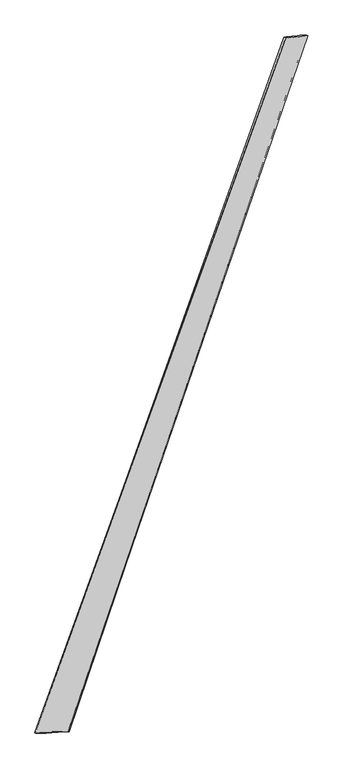
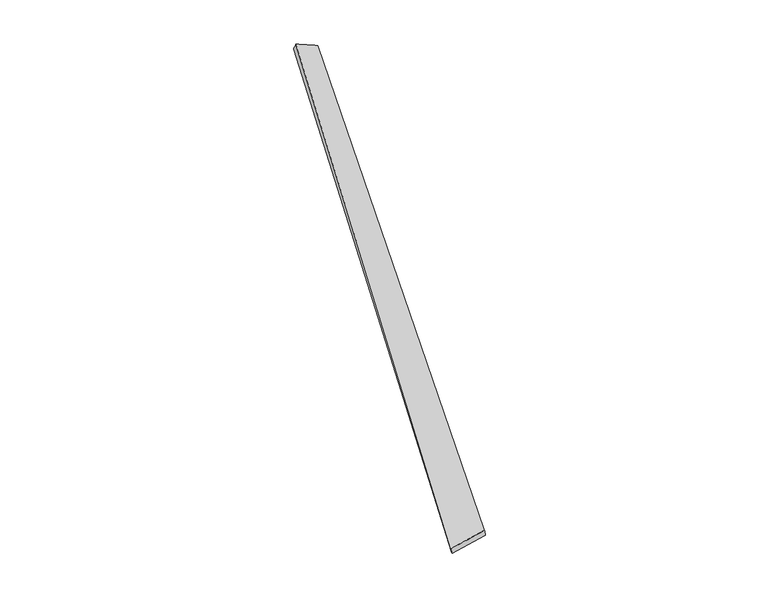
"""IFC4 building model written with IfcOpenShell, lengths in millimetres: proxy geometry."""

import ifcopenshell
import ifcopenshell.guid

model = None  # the IFC model being written
_history = None  # IfcOwnerHistory: only IFC2X3 demands one
_inside = {}  # id of a spatial element -> (the spatial element, [elements in it])
_under = {}  # id of a project, library or spatial element -> (it, [spatial elements below it])
_declared = {}  # id of a project -> (the project, [libraries it declares])
_typed = {}  # id of a type object -> (the type object, [elements of that type])
_made_of = {}  # id of a material, layer set ... -> (it, [elements and type objects made of it])


def new_model(schema):
    """Start an empty IFC model of exactly this schema.

    Asked for "IFC4X3", IfcOpenShell would pick the latest addendum, in which some entities
    have other attributes; the version numbers below select the first issue.
    IFC2X3 requires an IfcOwnerHistory on every rooted entity: one is made here for all.
    """
    global model, _history
    if schema == "IFC4X3":
        model = ifcopenshell.file(schema_version=(4, 3, 0, 0))
    else:
        model = ifcopenshell.file(schema=schema)
    _inside.clear()
    _under.clear()
    _declared.clear()
    _typed.clear()
    _made_of.clear()
    _history = None
    if model.schema == "IFC2X3":
        org = make("IfcOrganization", Name="unknown")
        user = make(
            "IfcPersonAndOrganization",
            ThePerson=make("IfcPerson", FamilyName="unknown"),
            TheOrganization=org,
        )
        app = make(
            "IfcApplication",
            ApplicationDeveloper=org,
            Version="unknown",
            ApplicationFullName="unknown",
            ApplicationIdentifier="unknown",
        )
        _history = make(
            "IfcOwnerHistory",
            OwningUser=user,
            OwningApplication=app,
            ChangeAction="ADDED",
            CreationDate=0,
        )
    return model


def make(cls, **values):
    """One entity of the class cls with the attributes given. An attribute that is None is left unset."""
    return model.create_entity(
        cls, **{name: value for name, value in values.items() if value is not None}
    )


def rooted(cls, **values):
    """An entity with a GlobalId (a new one), such as an element, a storey or a relation."""
    return make(cls, GlobalId=ifcopenshell.guid.new(), OwnerHistory=_history, **values)


def si_unit(unit_type, name, prefix=None):
    """IfcSIUnit, for example si_unit("LENGTHUNIT", "METRE", prefix="MILLI")."""
    return make("IfcSIUnit", UnitType=unit_type, Prefix=prefix, Name=name)


def assignment(units):
    """IfcUnitAssignment: the units of a project."""
    return None if units is None else make("IfcUnitAssignment", Units=units)


def point(xyz):
    """IfcCartesianPoint."""
    return None if xyz is None else make("IfcCartesianPoint", Coordinates=xyz)


def direction(xyz):
    """IfcDirection."""
    return None if xyz is None else make("IfcDirection", DirectionRatios=xyz)


def frame(location, z_axis=None, x_axis=None):
    """IfcAxis2Placement3D, a coordinate frame: its origin and axes. An axis left out is left unset."""
    return make(
        "IfcAxis2Placement3D",
        Location=point(location),
        Axis=direction(z_axis),
        RefDirection=direction(x_axis),
    )


def origin():
    """The frame at (0, 0, 0) with its axes left unset."""
    return frame((0.0, 0.0, 0.0))


def place(relative_to, where):
    """IfcLocalPlacement: puts the frame where relative to a parent placement (None: the world)."""
    return make(
        "IfcLocalPlacement", PlacementRelTo=relative_to, RelativePlacement=where
    )


def context(
    kind, dimensions, precision=None, world=None, true_north=None, identifier=None
):
    """IfcGeometricRepresentationContext, for example the 3D "Model" context."""
    return make(
        "IfcGeometricRepresentationContext",
        ContextIdentifier=identifier,
        ContextType=kind,
        CoordinateSpaceDimension=dimensions,
        Precision=precision,
        WorldCoordinateSystem=world,
        TrueNorth=true_north,
    )


def project(units=None, contexts=None):
    """IfcProject with its units and contexts."""
    return rooted(
        "IfcProject",
        Name="project",
        RepresentationContexts=contexts,
        UnitsInContext=assignment(units),
    )


def spatial(cls, under=None, at=None, **own):
    """A site, building, storey or space (cls), placed at a placement, below another one or the project."""
    s = rooted(cls, ObjectPlacement=at, **own)
    if under is not None:
        _under.setdefault(under.id(), (under, []))[1].append(s)
    return s


def shape(context_of_items, identifier, shape_type, items):
    """IfcShapeRepresentation: the items that make up one representation, for example the "Body"."""
    return make(
        "IfcShapeRepresentation",
        ContextOfItems=context_of_items,
        RepresentationIdentifier=identifier,
        RepresentationType=shape_type,
        Items=items,
    )


def source(mapping_origin, context_of_items, identifier, shape_type, items):
    """IfcRepresentationMap: a shape defined once, which mapped items show again and again."""
    return make(
        "IfcRepresentationMap",
        MappingOrigin=mapping_origin,
        MappedRepresentation=shape(context_of_items, identifier, shape_type, items),
    )


def transform(
    local_origin,
    x_axis=None,
    y_axis=None,
    z_axis=None,
    scale=None,
    scale2=None,
    scale3=None,
    uniform=True,
):
    """IfcCartesianTransformationOperator3D, or its non-uniform kind. x_axis, y_axis, z_axis: its Axis1, 2, 3."""
    if uniform:
        return make(
            "IfcCartesianTransformationOperator3D",
            Axis1=direction(x_axis),
            Axis2=direction(y_axis),
            LocalOrigin=point(local_origin),
            Scale=scale,
            Axis3=direction(z_axis),
        )
    return make(
        "IfcCartesianTransformationOperator3DnonUniform",
        Axis1=direction(x_axis),
        Axis2=direction(y_axis),
        LocalOrigin=point(local_origin),
        Scale=scale,
        Axis3=direction(z_axis),
        Scale2=scale2,
        Scale3=scale3,
    )


def mapped(mapping_source, mapping_target):
    """IfcMappedItem: shows the shape of a source again, moved by a transform."""
    return make(
        "IfcMappedItem", MappingSource=mapping_source, MappingTarget=mapping_target
    )


def made_of(thing, what):
    """Note that an element or type object is made of a material, layer set ...; save() writes the relation."""
    if what is not None:
        _made_of.setdefault(what.id(), (what, []))[1].append(thing)
    return thing


def element(
    cls,
    number,
    at=None,
    inside=None,
    cuts=None,
    type_object=None,
    material=None,
    context=None,
    identifier="Body",
    shape_type=None,
    held_by="IfcProductDefinitionShape",
    body=None,
    shapes=None,
    **own,
):
    """One element of the class cls, such as IfcWall. Its Tag is "e" and its number.

    at: its placement. inside: the storey or other place that contains it. cuts: it is an
    opening in that element (IfcRelVoidsElement). A single representation is given by context,
    identifier, shape_type and body (its items); several are given by shapes. held_by: the class
    of the entity that holds the representations. save() writes the other relations.
    """
    e = rooted(cls, Tag="e%d" % number, ObjectPlacement=at, **own)
    if body is not None:
        shapes = [shape(context, identifier, shape_type, body)]
    if shapes is not None:
        e.Representation = make(held_by, Representations=shapes)
    if inside is not None:
        _inside.setdefault(inside.id(), (inside, []))[1].append(e)
    if cuts is not None:
        rooted(
            "IfcRelVoidsElement", RelatingBuildingElement=cuts, RelatedOpeningElement=e
        )
    if type_object is not None:
        _typed.setdefault(type_object.id(), (type_object, []))[1].append(e)
    return made_of(e, material)


def aggregate(whole, parts):
    """IfcRelAggregates: a whole, such as a stair, and the parts it consists of."""
    return rooted("IfcRelAggregates", RelatingObject=whole, RelatedObjects=parts)


def save(model, path):
    """Write the relations noted so far, then the file.

    IfcRelAggregates (storeys below a building ...), IfcRelContainedInSpatialStructure (elements
    in a storey), IfcRelDefinesByType, IfcRelAssociatesMaterial and IfcRelDeclares: one each for
    every whole, place, type object, material and project.
    """
    for whole, parts in _under.values():
        aggregate(whole, parts)
    for where, things in _inside.values():
        rooted(
            "IfcRelContainedInSpatialStructure",
            RelatedElements=things,
            RelatingStructure=where,
        )
    for kind, things in _typed.values():
        rooted("IfcRelDefinesByType", RelatedObjects=things, RelatingType=kind)
    for what, things in _made_of.values():
        rooted("IfcRelAssociatesMaterial", RelatedObjects=things, RelatingMaterial=what)
    for by, libraries in _declared.values():
        rooted("IfcRelDeclares", RelatingContext=by, RelatedDefinitions=libraries)
    model.write(path)


def spline_surface(u_degree, v_degree, points, u_multiplicities, v_multiplicities, u_knots, v_knots, weights=None):
    """IfcBSplineSurfaceWithKnots; with weights, IfcRationalBSplineSurfaceWithKnots. points: one row for each step in u."""
    own = dict(
        UDegree=u_degree,
        VDegree=v_degree,
        ControlPointsList=[[point(p) for p in row] for row in points],
        SurfaceForm="UNSPECIFIED",
        UClosed=False,
        VClosed=False,
        SelfIntersect=False,
        UMultiplicities=u_multiplicities,
        VMultiplicities=v_multiplicities,
        UKnots=u_knots,
        VKnots=v_knots,
        KnotSpec="UNSPECIFIED",
    )
    if weights is None:
        return make("IfcBSplineSurfaceWithKnots", **own)
    return make("IfcRationalBSplineSurfaceWithKnots", WeightsData=weights, **own)


def advanced_brep(points, edges, surfaces, faces):
    """IfcAdvancedBrep: a solid bounded by faces that lie on surfaces and meet in shared edges.

    An edge is (start, end): straight between two places in points (the first is 0);
    or (start, end, curve); or (start, end, curve, False) where it runs against its curve.
    A face is (place in surfaces, loops), or (place, loops, False) where it looks against
    its surface's normal. A loop lists edges by number (the first is 1), with a minus sign
    where the edge is run from its end to its start. The first loop is the outer one.
    """
    corners = [point(p) for p in points]
    vertices = [make("IfcVertexPoint", VertexGeometry=c) for c in corners]
    made = []
    for start, end, *more in edges:
        made.append(
            make(
                "IfcEdgeCurve",
                EdgeStart=vertices[start],
                EdgeEnd=vertices[end],
                EdgeGeometry=more[0] if more else make("IfcPolyline", Points=[corners[start], corners[end]]),
                SameSense=more[1] if len(more) > 1 else True,
            )
        )
    hull = []
    for where, loops, *sense in faces:
        bounds = []
        for j, loop in enumerate(loops):
            ring = [make("IfcOrientedEdge", EdgeElement=made[abs(k) - 1], Orientation=k > 0) for k in loop]
            bounds.append(
                make(
                    "IfcFaceOuterBound" if j == 0 else "IfcFaceBound",
                    Bound=make("IfcEdgeLoop", EdgeList=ring),
                    Orientation=True,
                )
            )
        hull.append(make("IfcAdvancedFace", Bounds=bounds, FaceSurface=surfaces[where], SameSense=sense[0] if sense else True))
    return make("IfcAdvancedBrep", Outer=make("IfcClosedShell", CfsFaces=hull))


def generic_models_df5c58bd(model_context):
    return source(origin(), model_context, "Body", "AdvancedBrep", [
        advanced_brep(
        [(-737.8824266, -1869.3021473, -19.2285303), (-744.9306089, -1867.138302, 9.8513752), (737.8189497, 2234.5335074, 57.5413777), (726.6334243, 2238.850849, 30.0414762), (-547.8561101, -1860.1413123, 48.7223734), (869.1938011, 2247.8254458, -4.3211956), (-543.1278736, -1862.1002244, 19.1621562), (854.3768758, 2252.5515227, -29.9751021)],
        [
            (0, 1),
            (1, 2),
            (2, 3),
            (3, 0),
            (1, 4),
            (4, 5),
            (5, 2),
            (4, 6),
            (6, 7),
            (7, 5),
            (6, 0),
            (3, 7),
        ],
        [
            spline_surface(1, 1, [[(-737.8824266, -1869.3021473, -19.2285303), (726.6334243, 2238.850849, 30.0414762)], [(-744.9306089, -1867.138302, 9.8513752), (737.8189497, 2234.5335074, 57.5413777)]], [2, 2], [2, 2], [0.0, 1.0], [0.0, 1.0]),
            spline_surface(1, 1, [[(-744.9306089, -1867.138302, 9.8513752), (737.8189497, 2234.5335074, 57.5413777)], [(-547.8561101, -1860.1413123, 48.7223734), (869.1938011, 2247.8254458, -4.3211956)]], [2, 2], [2, 2], [0.0, 1.0], [0.0, 1.0]),
            spline_surface(1, 1, [[(-547.8561101, -1860.1413123, 48.7223734), (869.1938011, 2247.8254458, -4.3211956)], [(-543.1278736, -1862.1002244, 19.1621562), (854.3768758, 2252.5515227, -29.9751021)]], [2, 2], [2, 2], [0.0, 1.0], [0.0, 1.0]),
            spline_surface(1, 1, [[(-543.1278736, -1862.1002244, 19.1621562), (854.3768758, 2252.5515227, -29.9751021)], [(-737.8824266, -1869.3021473, -19.2285303), (726.6334243, 2238.850849, 30.0414762)]], [2, 2], [2, 2], [0.0, 1.0], [0.0, 1.0]),
            spline_surface(1, 1, [[(737.8189497, 2234.5335074, 57.5413777), (726.6334243, 2238.850849, 30.0414762)], [(869.1938011, 2247.8254458, -4.3211956), (854.3768758, 2252.5515227, -29.9751021)]], [2, 2], [2, 2], [0.0, 1.0], [0.0, 1.0]),
            spline_surface(1, 1, [[(-543.1278736, -1862.1002244, 19.1621562), (-737.8824266, -1869.3021473, -19.2285303)], [(-547.8561101, -1860.1413123, 48.7223734), (-744.9306089, -1867.138302, 9.8513752)]], [2, 2], [2, 2], [0.0, 1.0], [0.0, 1.0]),
        ],
        [
            (0, [[1, 2, 3, 4]]),
            (1, [[5, 6, 7, -2]]),
            (2, [[8, 9, 10, -6]]),
            (3, [[11, -4, 12, -9]]),
            (4, [[-3, -7, -10, -12]]),
            (5, [[-11, -8, -5, -1]]),
        ],
    ),
    ])


if __name__ == "__main__":
    model = new_model("IFC4")
    model_context = context("Model", 3, world=origin())
    ifc_project = project(units=[si_unit("LENGTHUNIT", "METRE", prefix="MILLI")], contexts=[model_context])
    site = spatial("IfcSite", under=ifc_project)
    building = spatial("IfcBuilding", under=site)
    placement = place(None, origin())
    generic_models_shape = generic_models_df5c58bd(model_context)
    element("IfcBuildingElementProxy", 1, Name="Generic Models", at=placement, inside=building, context=model_context, shape_type="MappedRepresentation", body=[
        mapped(generic_models_shape, transform((0.0, 0.0, 0.0), x_axis=(1.0, 0.0, 0.0), y_axis=(0.0, 1.0, 0.0), z_axis=(0.0, 0.0, 1.0))),
    ])
    save(model, "model.ifc")
